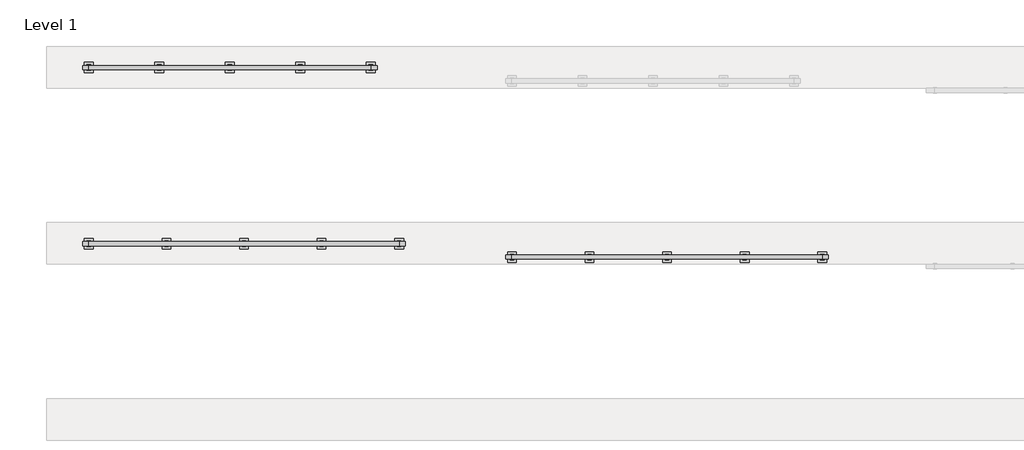
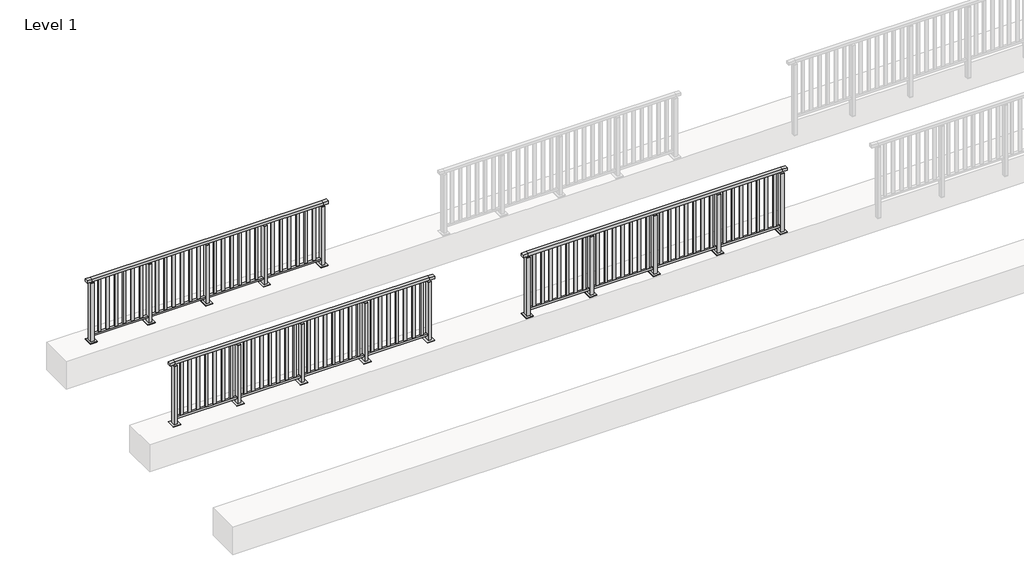
# One storey, part 30 of 38: 3 railings.
"""IFC4 building model written with IfcOpenShell, lengths in millimetres."""

from ifc_helpers import new_model, si_unit, frame, origin, origin_with_axes, place, context, project, spatial, polyline, outline, extrude, faceted_brep, element, save

model = new_model("IFC4")

# Units and contexts
model_context = context("Model", 3, world=origin())
ifc_project = project(units=[si_unit("LENGTHUNIT", "METRE", prefix="MILLI")], contexts=[model_context])

# Site, building, storey
site = spatial("IfcSite", under=ifc_project)
building = spatial("IfcBuilding", under=site)
storey = spatial("IfcBuildingStorey", under=building, Name="Level 1", Elevation=0.0)

# Railings
placement = place(None, origin())
element("IfcRailing", 1, at=placement, inside=storey, context=model_context, shape_type="SolidModel", body=[
    faceted_brep([(0.0, 50220.1846828, 1102.5), (0.0, 50220.1846828, 1150.0), (4400.0, 50220.1846828, 1150.0), (4400.0, 50220.1846828, 1102.5), (0.0, 50160.1846828, 1102.5), (4400.0, 50160.1846828, 1102.5), (0.0, 50160.1846828, 1150.0), (4400.0, 50160.1846828, 1150.0), (-87.5, 50220.1846828, 1150.0), (-87.5, 50220.1846828, 1102.5), (-87.5, 50160.1846828, 1102.5), (-87.5, 50160.1846828, 1150.0), (4487.5, 50220.1846828, 1150.0), (4487.5, 50160.1846828, 1150.0), (4487.5, 50160.1846828, 1102.5), (4487.5, 50220.1846828, 1102.5)], [[[0, 1, 2, 3]], [[4, 0, 3, 5]], [[6, 4, 5, 7]], [[1, 6, 7, 2]], [[8, 9, 10, 11]], [[9, 8, 1, 0]], [[10, 9, 0, 4]], [[11, 10, 4, 6]], [[8, 11, 6, 1]], [[12, 13, 14, 15]], [[3, 2, 12, 15]], [[5, 3, 15, 14]], [[7, 5, 14, 13]], [[2, 7, 13, 12]]]),
    extrude(outline(polyline([(0.0, 50172.1846828), (0.0, 50208.1846828), (4400.0, 50208.1846828), (4400.0, 50172.1846828), (0.0, 50172.1846828)])), frame((0.0, 0.0, 93.0), z_axis=(0.0, 0.0, 1.0), x_axis=(1.0, 0.0, 0.0)), (0.0, 0.0, 1.0), 32.0),
    extrude(outline(polyline([(4306.3592058, 50198.6846828), (4306.3592058, 50181.6846828), (4257.3592058, 50181.6846828), (4257.3592058, 50198.6846828), (4306.3592058, 50198.6846828)])), frame((0.0, 0.0, 125.0), z_axis=(0.0, 0.0, 1.0), x_axis=(1.0, 0.0, 0.0)), (0.0, 0.0, 1.0), 980.0),
    extrude(outline(polyline([(4162.4061372, 50198.6846828), (4162.4061372, 50181.6846828), (4113.4061372, 50181.6846828), (4113.4061372, 50198.6846828), (4162.4061372, 50198.6846828)])), frame((0.0, 0.0, 125.0), z_axis=(0.0, 0.0, 1.0), x_axis=(1.0, 0.0, 0.0)), (0.0, 0.0, 1.0), 980.0),
    extrude(outline(polyline([(4018.4530686, 50198.6846828), (4018.4530686, 50181.6846828), (3969.4530686, 50181.6846828), (3969.4530686, 50198.6846828), (4018.4530686, 50198.6846828)])), frame((0.0, 0.0, 125.0), z_axis=(0.0, 0.0, 1.0), x_axis=(1.0, 0.0, 0.0)), (0.0, 0.0, 1.0), 980.0),
    extrude(outline(polyline([(3874.5, 50198.6846828), (3874.5, 50181.6846828), (3825.5, 50181.6846828), (3825.5, 50198.6846828), (3874.5, 50198.6846828)])), frame((0.0, 0.0, 125.0), z_axis=(0.0, 0.0, 1.0), x_axis=(1.0, 0.0, 0.0)), (0.0, 0.0, 1.0), 980.0),
    extrude(outline(polyline([(3730.5469314, 50198.6846828), (3730.5469314, 50181.6846828), (3681.5469314, 50181.6846828), (3681.5469314, 50198.6846828), (3730.5469314, 50198.6846828)])), frame((0.0, 0.0, 125.0), z_axis=(0.0, 0.0, 1.0), x_axis=(1.0, 0.0, 0.0)), (0.0, 0.0, 1.0), 980.0),
    extrude(outline(polyline([(3586.5938628, 50198.6846828), (3586.5938628, 50181.6846828), (3537.5938628, 50181.6846828), (3537.5938628, 50198.6846828), (3586.5938628, 50198.6846828)])), frame((0.0, 0.0, 125.0), z_axis=(0.0, 0.0, 1.0), x_axis=(1.0, 0.0, 0.0)), (0.0, 0.0, 1.0), 980.0),
    extrude(outline(polyline([(3442.6407942, 50198.6846828), (3442.6407942, 50181.6846828), (3393.6407942, 50181.6846828), (3393.6407942, 50198.6846828), (3442.6407942, 50198.6846828)])), frame((0.0, 0.0, 125.0), z_axis=(0.0, 0.0, 1.0), x_axis=(1.0, 0.0, 0.0)), (0.0, 0.0, 1.0), 980.0),
    extrude(outline(polyline([(3310.0, 50180.1846828), (3290.0, 50180.1846828), (3290.0, 50200.1846828), (3310.0, 50200.1846828), (3310.0, 50180.1846828)])), frame((0.0, 0.0, 1085.0), z_axis=(0.0, 0.0, 1.0), x_axis=(1.0, 0.0, 0.0)), (0.0, 0.0, 1.0), 20.0),
    extrude(outline(polyline([(3327.0, 50151.1846828), (3273.0, 50151.1846828), (3273.0, 50229.1846828), (3327.0, 50229.1846828), (3327.0, 50151.1846828)])), frame((0.0, 0.0, 1077.0), z_axis=(0.0, 0.0, 1.0), x_axis=(1.0, 0.0, 0.0)), (0.0, 0.0, 1.0), 8.0),
    extrude(outline(polyline([(3362.5, 50115.1846828), (3237.5, 50115.1846828), (3237.5, 50265.1846828), (3362.5, 50265.1846828), (3362.5, 50115.1846828)])), origin_with_axes(), (0.0, 0.0, 1.0), 12.0),
    extrude(outline(polyline([(3327.0, 50151.1846828), (3273.0, 50151.1846828), (3273.0, 50229.1846828), (3327.0, 50229.1846828), (3327.0, 50151.1846828)])), frame((0.0, 0.0, 12.0), z_axis=(0.0, 0.0, 1.0), x_axis=(1.0, 0.0, 0.0)), (0.0, 0.0, 1.0), 1065.0),
    extrude(outline(polyline([(3206.3592058, 50198.6846828), (3206.3592058, 50181.6846828), (3157.3592058, 50181.6846828), (3157.3592058, 50198.6846828), (3206.3592058, 50198.6846828)])), frame((0.0, 0.0, 125.0), z_axis=(0.0, 0.0, 1.0), x_axis=(1.0, 0.0, 0.0)), (0.0, 0.0, 1.0), 980.0),
    extrude(outline(polyline([(3062.4061372, 50198.6846828), (3062.4061372, 50181.6846828), (3013.4061372, 50181.6846828), (3013.4061372, 50198.6846828), (3062.4061372, 50198.6846828)])), frame((0.0, 0.0, 125.0), z_axis=(0.0, 0.0, 1.0), x_axis=(1.0, 0.0, 0.0)), (0.0, 0.0, 1.0), 980.0),
    extrude(outline(polyline([(2918.4530686, 50198.6846828), (2918.4530686, 50181.6846828), (2869.4530686, 50181.6846828), (2869.4530686, 50198.6846828), (2918.4530686, 50198.6846828)])), frame((0.0, 0.0, 125.0), z_axis=(0.0, 0.0, 1.0), x_axis=(1.0, 0.0, 0.0)), (0.0, 0.0, 1.0), 980.0),
    extrude(outline(polyline([(2774.5, 50198.6846828), (2774.5, 50181.6846828), (2725.5, 50181.6846828), (2725.5, 50198.6846828), (2774.5, 50198.6846828)])), frame((0.0, 0.0, 125.0), z_axis=(0.0, 0.0, 1.0), x_axis=(1.0, 0.0, 0.0)), (0.0, 0.0, 1.0), 980.0),
    extrude(outline(polyline([(2630.5469314, 50198.6846828), (2630.5469314, 50181.6846828), (2581.5469314, 50181.6846828), (2581.5469314, 50198.6846828), (2630.5469314, 50198.6846828)])), frame((0.0, 0.0, 125.0), z_axis=(0.0, 0.0, 1.0), x_axis=(1.0, 0.0, 0.0)), (0.0, 0.0, 1.0), 980.0),
    extrude(outline(polyline([(2486.5938628, 50198.6846828), (2486.5938628, 50181.6846828), (2437.5938628, 50181.6846828), (2437.5938628, 50198.6846828), (2486.5938628, 50198.6846828)])), frame((0.0, 0.0, 125.0), z_axis=(0.0, 0.0, 1.0), x_axis=(1.0, 0.0, 0.0)), (0.0, 0.0, 1.0), 980.0),
    extrude(outline(polyline([(2342.6407942, 50198.6846828), (2342.6407942, 50181.6846828), (2293.6407942, 50181.6846828), (2293.6407942, 50198.6846828), (2342.6407942, 50198.6846828)])), frame((0.0, 0.0, 125.0), z_axis=(0.0, 0.0, 1.0), x_axis=(1.0, 0.0, 0.0)), (0.0, 0.0, 1.0), 980.0),
    extrude(outline(polyline([(2210.0, 50180.1846828), (2190.0, 50180.1846828), (2190.0, 50200.1846828), (2210.0, 50200.1846828), (2210.0, 50180.1846828)])), frame((0.0, 0.0, 1085.0), z_axis=(0.0, 0.0, 1.0), x_axis=(1.0, 0.0, 0.0)), (0.0, 0.0, 1.0), 20.0),
    extrude(outline(polyline([(2227.0, 50151.1846828), (2173.0, 50151.1846828), (2173.0, 50229.1846828), (2227.0, 50229.1846828), (2227.0, 50151.1846828)])), frame((0.0, 0.0, 1077.0), z_axis=(0.0, 0.0, 1.0), x_axis=(1.0, 0.0, 0.0)), (0.0, 0.0, 1.0), 8.0),
    extrude(outline(polyline([(2262.5, 50115.1846828), (2137.5, 50115.1846828), (2137.5, 50265.1846828), (2262.5, 50265.1846828), (2262.5, 50115.1846828)])), origin_with_axes(), (0.0, 0.0, 1.0), 12.0),
    extrude(outline(polyline([(2227.0, 50151.1846828), (2173.0, 50151.1846828), (2173.0, 50229.1846828), (2227.0, 50229.1846828), (2227.0, 50151.1846828)])), frame((0.0, 0.0, 12.0), z_axis=(0.0, 0.0, 1.0), x_axis=(1.0, 0.0, 0.0)), (0.0, 0.0, 1.0), 1065.0),
    extrude(outline(polyline([(2106.3592058, 50198.6846828), (2106.3592058, 50181.6846828), (2057.3592058, 50181.6846828), (2057.3592058, 50198.6846828), (2106.3592058, 50198.6846828)])), frame((0.0, 0.0, 125.0), z_axis=(0.0, 0.0, 1.0), x_axis=(1.0, 0.0, 0.0)), (0.0, 0.0, 1.0), 980.0),
    extrude(outline(polyline([(1962.4061372, 50198.6846828), (1962.4061372, 50181.6846828), (1913.4061372, 50181.6846828), (1913.4061372, 50198.6846828), (1962.4061372, 50198.6846828)])), frame((0.0, 0.0, 125.0), z_axis=(0.0, 0.0, 1.0), x_axis=(1.0, 0.0, 0.0)), (0.0, 0.0, 1.0), 980.0),
    extrude(outline(polyline([(1818.4530686, 50198.6846828), (1818.4530686, 50181.6846828), (1769.4530686, 50181.6846828), (1769.4530686, 50198.6846828), (1818.4530686, 50198.6846828)])), frame((0.0, 0.0, 125.0), z_axis=(0.0, 0.0, 1.0), x_axis=(1.0, 0.0, 0.0)), (0.0, 0.0, 1.0), 980.0),
    extrude(outline(polyline([(1674.5, 50198.6846828), (1674.5, 50181.6846828), (1625.5, 50181.6846828), (1625.5, 50198.6846828), (1674.5, 50198.6846828)])), frame((0.0, 0.0, 125.0), z_axis=(0.0, 0.0, 1.0), x_axis=(1.0, 0.0, 0.0)), (0.0, 0.0, 1.0), 980.0),
    extrude(outline(polyline([(1530.5469314, 50198.6846828), (1530.5469314, 50181.6846828), (1481.5469314, 50181.6846828), (1481.5469314, 50198.6846828), (1530.5469314, 50198.6846828)])), frame((0.0, 0.0, 125.0), z_axis=(0.0, 0.0, 1.0), x_axis=(1.0, 0.0, 0.0)), (0.0, 0.0, 1.0), 980.0),
    extrude(outline(polyline([(1386.5938628, 50198.6846828), (1386.5938628, 50181.6846828), (1337.5938628, 50181.6846828), (1337.5938628, 50198.6846828), (1386.5938628, 50198.6846828)])), frame((0.0, 0.0, 125.0), z_axis=(0.0, 0.0, 1.0), x_axis=(1.0, 0.0, 0.0)), (0.0, 0.0, 1.0), 980.0),
    extrude(outline(polyline([(1242.6407942, 50198.6846828), (1242.6407942, 50181.6846828), (1193.6407942, 50181.6846828), (1193.6407942, 50198.6846828), (1242.6407942, 50198.6846828)])), frame((0.0, 0.0, 125.0), z_axis=(0.0, 0.0, 1.0), x_axis=(1.0, 0.0, 0.0)), (0.0, 0.0, 1.0), 980.0),
    extrude(outline(polyline([(1110.0, 50180.1846828), (1090.0, 50180.1846828), (1090.0, 50200.1846828), (1110.0, 50200.1846828), (1110.0, 50180.1846828)])), frame((0.0, 0.0, 1085.0), z_axis=(0.0, 0.0, 1.0), x_axis=(1.0, 0.0, 0.0)), (0.0, 0.0, 1.0), 20.0),
    extrude(outline(polyline([(1127.0, 50151.1846828), (1073.0, 50151.1846828), (1073.0, 50229.1846828), (1127.0, 50229.1846828), (1127.0, 50151.1846828)])), frame((0.0, 0.0, 1077.0), z_axis=(0.0, 0.0, 1.0), x_axis=(1.0, 0.0, 0.0)), (0.0, 0.0, 1.0), 8.0),
    extrude(outline(polyline([(1162.5, 50115.1846828), (1037.5, 50115.1846828), (1037.5, 50265.1846828), (1162.5, 50265.1846828), (1162.5, 50115.1846828)])), origin_with_axes(), (0.0, 0.0, 1.0), 12.0),
    extrude(outline(polyline([(1127.0, 50151.1846828), (1073.0, 50151.1846828), (1073.0, 50229.1846828), (1127.0, 50229.1846828), (1127.0, 50151.1846828)])), frame((0.0, 0.0, 12.0), z_axis=(0.0, 0.0, 1.0), x_axis=(1.0, 0.0, 0.0)), (0.0, 0.0, 1.0), 1065.0),
    extrude(outline(polyline([(1006.3592058, 50198.6846828), (1006.3592058, 50181.6846828), (957.3592058, 50181.6846828), (957.3592058, 50198.6846828), (1006.3592058, 50198.6846828)])), frame((0.0, 0.0, 125.0), z_axis=(0.0, 0.0, 1.0), x_axis=(1.0, 0.0, 0.0)), (0.0, 0.0, 1.0), 980.0),
    extrude(outline(polyline([(862.4061372, 50198.6846828), (862.4061372, 50181.6846828), (813.4061372, 50181.6846828), (813.4061372, 50198.6846828), (862.4061372, 50198.6846828)])), frame((0.0, 0.0, 125.0), z_axis=(0.0, 0.0, 1.0), x_axis=(1.0, 0.0, 0.0)), (0.0, 0.0, 1.0), 980.0),
    extrude(outline(polyline([(718.4530686, 50198.6846828), (718.4530686, 50181.6846828), (669.4530686, 50181.6846828), (669.4530686, 50198.6846828), (718.4530686, 50198.6846828)])), frame((0.0, 0.0, 125.0), z_axis=(0.0, 0.0, 1.0), x_axis=(1.0, 0.0, 0.0)), (0.0, 0.0, 1.0), 980.0),
    extrude(outline(polyline([(574.5, 50198.6846828), (574.5, 50181.6846828), (525.5, 50181.6846828), (525.5, 50198.6846828), (574.5, 50198.6846828)])), frame((0.0, 0.0, 125.0), z_axis=(0.0, 0.0, 1.0), x_axis=(1.0, 0.0, 0.0)), (0.0, 0.0, 1.0), 980.0),
    extrude(outline(polyline([(430.5469314, 50198.6846828), (430.5469314, 50181.6846828), (381.5469314, 50181.6846828), (381.5469314, 50198.6846828), (430.5469314, 50198.6846828)])), frame((0.0, 0.0, 125.0), z_axis=(0.0, 0.0, 1.0), x_axis=(1.0, 0.0, 0.0)), (0.0, 0.0, 1.0), 980.0),
    extrude(outline(polyline([(286.5938628, 50198.6846828), (286.5938628, 50181.6846828), (237.5938628, 50181.6846828), (237.5938628, 50198.6846828), (286.5938628, 50198.6846828)])), frame((0.0, 0.0, 125.0), z_axis=(0.0, 0.0, 1.0), x_axis=(1.0, 0.0, 0.0)), (0.0, 0.0, 1.0), 980.0),
    extrude(outline(polyline([(142.6407942, 50198.6846828), (142.6407942, 50181.6846828), (93.6407942, 50181.6846828), (93.6407942, 50198.6846828), (142.6407942, 50198.6846828)])), frame((0.0, 0.0, 125.0), z_axis=(0.0, 0.0, 1.0), x_axis=(1.0, 0.0, 0.0)), (0.0, 0.0, 1.0), 980.0),
    extrude(outline(polyline([(4410.0, 50180.1846828), (4390.0, 50180.1846828), (4390.0, 50200.1846828), (4410.0, 50200.1846828), (4410.0, 50180.1846828)])), frame((0.0, 0.0, 1085.0), z_axis=(0.0, 0.0, 1.0), x_axis=(1.0, 0.0, 0.0)), (0.0, 0.0, 1.0), 20.0),
    extrude(outline(polyline([(4427.0, 50151.1846828), (4373.0, 50151.1846828), (4373.0, 50229.1846828), (4427.0, 50229.1846828), (4427.0, 50151.1846828)])), frame((0.0, 0.0, 1077.0), z_axis=(0.0, 0.0, 1.0), x_axis=(1.0, 0.0, 0.0)), (0.0, 0.0, 1.0), 8.0),
    extrude(outline(polyline([(4462.5, 50115.1846828), (4337.5, 50115.1846828), (4337.5, 50265.1846828), (4462.5, 50265.1846828), (4462.5, 50115.1846828)])), origin_with_axes(), (0.0, 0.0, 1.0), 12.0),
    extrude(outline(polyline([(4427.0, 50151.1846828), (4373.0, 50151.1846828), (4373.0, 50229.1846828), (4427.0, 50229.1846828), (4427.0, 50151.1846828)])), frame((0.0, 0.0, 12.0), z_axis=(0.0, 0.0, 1.0), x_axis=(1.0, 0.0, 0.0)), (0.0, 0.0, 1.0), 1065.0),
    extrude(outline(polyline([(10.0, 50180.1846828), (-10.0, 50180.1846828), (-10.0, 50200.1846828), (10.0, 50200.1846828), (10.0, 50180.1846828)])), frame((0.0, 0.0, 1085.0), z_axis=(0.0, 0.0, 1.0), x_axis=(1.0, 0.0, 0.0)), (0.0, 0.0, 1.0), 20.0),
    extrude(outline(polyline([(27.0, 50151.1846828), (-27.0, 50151.1846828), (-27.0, 50229.1846828), (27.0, 50229.1846828), (27.0, 50151.1846828)])), frame((0.0, 0.0, 1077.0), z_axis=(0.0, 0.0, 1.0), x_axis=(1.0, 0.0, 0.0)), (0.0, 0.0, 1.0), 8.0),
    extrude(outline(polyline([(62.5, 50115.1846828), (-62.5, 50115.1846828), (-62.5, 50265.1846828), (62.5, 50265.1846828), (62.5, 50115.1846828)])), origin_with_axes(), (0.0, 0.0, 1.0), 12.0),
    extrude(outline(polyline([(27.0, 50151.1846828), (-27.0, 50151.1846828), (-27.0, 50229.1846828), (27.0, 50229.1846828), (27.0, 50151.1846828)])), frame((0.0, 0.0, 12.0), z_axis=(0.0, 0.0, 1.0), x_axis=(1.0, 0.0, 0.0)), (0.0, 0.0, 1.0), 1065.0),
])
element("IfcRailing", 2, at=placement, inside=storey, context=model_context, shape_type="SolidModel", body=[
    faceted_brep([(0.0, 52720.1846828, 1102.5), (0.0, 52720.1846828, 1150.0), (4000.0, 52720.1846828, 1150.0), (4000.0, 52720.1846828, 1102.5), (0.0, 52660.1846828, 1102.5), (4000.0, 52660.1846828, 1102.5), (0.0, 52660.1846828, 1150.0), (4000.0, 52660.1846828, 1150.0), (-87.5, 52720.1846828, 1150.0), (-87.5, 52720.1846828, 1102.5), (-87.5, 52660.1846828, 1102.5), (-87.5, 52660.1846828, 1150.0), (4087.5, 52720.1846828, 1150.0), (4087.5, 52660.1846828, 1150.0), (4087.5, 52660.1846828, 1102.5), (4087.5, 52720.1846828, 1102.5)], [[[0, 1, 2, 3]], [[4, 0, 3, 5]], [[6, 4, 5, 7]], [[1, 6, 7, 2]], [[8, 9, 10, 11]], [[9, 8, 1, 0]], [[10, 9, 0, 4]], [[11, 10, 4, 6]], [[8, 11, 6, 1]], [[12, 13, 14, 15]], [[3, 2, 12, 15]], [[5, 3, 15, 14]], [[7, 5, 14, 13]], [[2, 7, 13, 12]]]),
    extrude(outline(polyline([(0.0, 52672.1846828), (0.0, 52708.1846828), (4000.0, 52708.1846828), (4000.0, 52672.1846828), (0.0, 52672.1846828)])), frame((0.0, 0.0, 93.0), z_axis=(0.0, 0.0, 1.0), x_axis=(1.0, 0.0, 0.0)), (0.0, 0.0, 1.0), 32.0),
    extrude(outline(polyline([(3884.480139, 52698.6846828), (3884.480139, 52681.6846828), (3835.480139, 52681.6846828), (3835.480139, 52698.6846828), (3884.480139, 52698.6846828)])), frame((0.0, 0.0, 125.0), z_axis=(0.0, 0.0, 1.0), x_axis=(1.0, 0.0, 0.0)), (0.0, 0.0, 1.0), 980.0),
    extrude(outline(polyline([(3740.4880834, 52698.6846828), (3740.4880834, 52681.6846828), (3691.4880834, 52681.6846828), (3691.4880834, 52698.6846828), (3740.4880834, 52698.6846828)])), frame((0.0, 0.0, 125.0), z_axis=(0.0, 0.0, 1.0), x_axis=(1.0, 0.0, 0.0)), (0.0, 0.0, 1.0), 980.0),
    extrude(outline(polyline([(3596.4960278, 52698.6846828), (3596.4960278, 52681.6846828), (3547.4960278, 52681.6846828), (3547.4960278, 52698.6846828), (3596.4960278, 52698.6846828)])), frame((0.0, 0.0, 125.0), z_axis=(0.0, 0.0, 1.0), x_axis=(1.0, 0.0, 0.0)), (0.0, 0.0, 1.0), 980.0),
    extrude(outline(polyline([(3452.5039722, 52698.6846828), (3452.5039722, 52681.6846828), (3403.5039722, 52681.6846828), (3403.5039722, 52698.6846828), (3452.5039722, 52698.6846828)])), frame((0.0, 0.0, 125.0), z_axis=(0.0, 0.0, 1.0), x_axis=(1.0, 0.0, 0.0)), (0.0, 0.0, 1.0), 980.0),
    extrude(outline(polyline([(3308.5119166, 52698.6846828), (3308.5119166, 52681.6846828), (3259.5119166, 52681.6846828), (3259.5119166, 52698.6846828), (3308.5119166, 52698.6846828)])), frame((0.0, 0.0, 125.0), z_axis=(0.0, 0.0, 1.0), x_axis=(1.0, 0.0, 0.0)), (0.0, 0.0, 1.0), 980.0),
    extrude(outline(polyline([(3164.519861, 52698.6846828), (3164.519861, 52681.6846828), (3115.519861, 52681.6846828), (3115.519861, 52698.6846828), (3164.519861, 52698.6846828)])), frame((0.0, 0.0, 125.0), z_axis=(0.0, 0.0, 1.0), x_axis=(1.0, 0.0, 0.0)), (0.0, 0.0, 1.0), 980.0),
    extrude(outline(polyline([(3010.0, 52680.1846828), (2990.0, 52680.1846828), (2990.0, 52700.1846828), (3010.0, 52700.1846828), (3010.0, 52680.1846828)])), frame((0.0, 0.0, 1085.0), z_axis=(0.0, 0.0, 1.0), x_axis=(1.0, 0.0, 0.0)), (0.0, 0.0, 1.0), 20.0),
    extrude(outline(polyline([(3027.0, 52651.1846828), (2973.0, 52651.1846828), (2973.0, 52729.1846828), (3027.0, 52729.1846828), (3027.0, 52651.1846828)])), frame((0.0, 0.0, 1077.0), z_axis=(0.0, 0.0, 1.0), x_axis=(1.0, 0.0, 0.0)), (0.0, 0.0, 1.0), 8.0),
    extrude(outline(polyline([(3062.5, 52615.1846828), (2937.5, 52615.1846828), (2937.5, 52765.1846828), (3062.5, 52765.1846828), (3062.5, 52615.1846828)])), origin_with_axes(), (0.0, 0.0, 1.0), 12.0),
    extrude(outline(polyline([(3027.0, 52651.1846828), (2973.0, 52651.1846828), (2973.0, 52729.1846828), (3027.0, 52729.1846828), (3027.0, 52651.1846828)])), frame((0.0, 0.0, 12.0), z_axis=(0.0, 0.0, 1.0), x_axis=(1.0, 0.0, 0.0)), (0.0, 0.0, 1.0), 1065.0),
    extrude(outline(polyline([(2884.480139, 52698.6846828), (2884.480139, 52681.6846828), (2835.480139, 52681.6846828), (2835.480139, 52698.6846828), (2884.480139, 52698.6846828)])), frame((0.0, 0.0, 125.0), z_axis=(0.0, 0.0, 1.0), x_axis=(1.0, 0.0, 0.0)), (0.0, 0.0, 1.0), 980.0),
    extrude(outline(polyline([(2740.4880834, 52698.6846828), (2740.4880834, 52681.6846828), (2691.4880834, 52681.6846828), (2691.4880834, 52698.6846828), (2740.4880834, 52698.6846828)])), frame((0.0, 0.0, 125.0), z_axis=(0.0, 0.0, 1.0), x_axis=(1.0, 0.0, 0.0)), (0.0, 0.0, 1.0), 980.0),
    extrude(outline(polyline([(2596.4960278, 52698.6846828), (2596.4960278, 52681.6846828), (2547.4960278, 52681.6846828), (2547.4960278, 52698.6846828), (2596.4960278, 52698.6846828)])), frame((0.0, 0.0, 125.0), z_axis=(0.0, 0.0, 1.0), x_axis=(1.0, 0.0, 0.0)), (0.0, 0.0, 1.0), 980.0),
    extrude(outline(polyline([(2452.5039722, 52698.6846828), (2452.5039722, 52681.6846828), (2403.5039722, 52681.6846828), (2403.5039722, 52698.6846828), (2452.5039722, 52698.6846828)])), frame((0.0, 0.0, 125.0), z_axis=(0.0, 0.0, 1.0), x_axis=(1.0, 0.0, 0.0)), (0.0, 0.0, 1.0), 980.0),
    extrude(outline(polyline([(2308.5119166, 52698.6846828), (2308.5119166, 52681.6846828), (2259.5119166, 52681.6846828), (2259.5119166, 52698.6846828), (2308.5119166, 52698.6846828)])), frame((0.0, 0.0, 125.0), z_axis=(0.0, 0.0, 1.0), x_axis=(1.0, 0.0, 0.0)), (0.0, 0.0, 1.0), 980.0),
    extrude(outline(polyline([(2164.519861, 52698.6846828), (2164.519861, 52681.6846828), (2115.519861, 52681.6846828), (2115.519861, 52698.6846828), (2164.519861, 52698.6846828)])), frame((0.0, 0.0, 125.0), z_axis=(0.0, 0.0, 1.0), x_axis=(1.0, 0.0, 0.0)), (0.0, 0.0, 1.0), 980.0),
    extrude(outline(polyline([(2010.0, 52680.1846828), (1990.0, 52680.1846828), (1990.0, 52700.1846828), (2010.0, 52700.1846828), (2010.0, 52680.1846828)])), frame((0.0, 0.0, 1085.0), z_axis=(0.0, 0.0, 1.0), x_axis=(1.0, 0.0, 0.0)), (0.0, 0.0, 1.0), 20.0),
    extrude(outline(polyline([(2027.0, 52651.1846828), (1973.0, 52651.1846828), (1973.0, 52729.1846828), (2027.0, 52729.1846828), (2027.0, 52651.1846828)])), frame((0.0, 0.0, 1077.0), z_axis=(0.0, 0.0, 1.0), x_axis=(1.0, 0.0, 0.0)), (0.0, 0.0, 1.0), 8.0),
    extrude(outline(polyline([(2062.5, 52615.1846828), (1937.5, 52615.1846828), (1937.5, 52765.1846828), (2062.5, 52765.1846828), (2062.5, 52615.1846828)])), origin_with_axes(), (0.0, 0.0, 1.0), 12.0),
    extrude(outline(polyline([(2027.0, 52651.1846828), (1973.0, 52651.1846828), (1973.0, 52729.1846828), (2027.0, 52729.1846828), (2027.0, 52651.1846828)])), frame((0.0, 0.0, 12.0), z_axis=(0.0, 0.0, 1.0), x_axis=(1.0, 0.0, 0.0)), (0.0, 0.0, 1.0), 1065.0),
    extrude(outline(polyline([(1884.480139, 52698.6846828), (1884.480139, 52681.6846828), (1835.480139, 52681.6846828), (1835.480139, 52698.6846828), (1884.480139, 52698.6846828)])), frame((0.0, 0.0, 125.0), z_axis=(0.0, 0.0, 1.0), x_axis=(1.0, 0.0, 0.0)), (0.0, 0.0, 1.0), 980.0),
    extrude(outline(polyline([(1740.4880834, 52698.6846828), (1740.4880834, 52681.6846828), (1691.4880834, 52681.6846828), (1691.4880834, 52698.6846828), (1740.4880834, 52698.6846828)])), frame((0.0, 0.0, 125.0), z_axis=(0.0, 0.0, 1.0), x_axis=(1.0, 0.0, 0.0)), (0.0, 0.0, 1.0), 980.0),
    extrude(outline(polyline([(1596.4960278, 52698.6846828), (1596.4960278, 52681.6846828), (1547.4960278, 52681.6846828), (1547.4960278, 52698.6846828), (1596.4960278, 52698.6846828)])), frame((0.0, 0.0, 125.0), z_axis=(0.0, 0.0, 1.0), x_axis=(1.0, 0.0, 0.0)), (0.0, 0.0, 1.0), 980.0),
    extrude(outline(polyline([(1452.5039722, 52698.6846828), (1452.5039722, 52681.6846828), (1403.5039722, 52681.6846828), (1403.5039722, 52698.6846828), (1452.5039722, 52698.6846828)])), frame((0.0, 0.0, 125.0), z_axis=(0.0, 0.0, 1.0), x_axis=(1.0, 0.0, 0.0)), (0.0, 0.0, 1.0), 980.0),
    extrude(outline(polyline([(1308.5119166, 52698.6846828), (1308.5119166, 52681.6846828), (1259.5119166, 52681.6846828), (1259.5119166, 52698.6846828), (1308.5119166, 52698.6846828)])), frame((0.0, 0.0, 125.0), z_axis=(0.0, 0.0, 1.0), x_axis=(1.0, 0.0, 0.0)), (0.0, 0.0, 1.0), 980.0),
    extrude(outline(polyline([(1164.519861, 52698.6846828), (1164.519861, 52681.6846828), (1115.519861, 52681.6846828), (1115.519861, 52698.6846828), (1164.519861, 52698.6846828)])), frame((0.0, 0.0, 125.0), z_axis=(0.0, 0.0, 1.0), x_axis=(1.0, 0.0, 0.0)), (0.0, 0.0, 1.0), 980.0),
    extrude(outline(polyline([(1010.0, 52680.1846828), (990.0, 52680.1846828), (990.0, 52700.1846828), (1010.0, 52700.1846828), (1010.0, 52680.1846828)])), frame((0.0, 0.0, 1085.0), z_axis=(0.0, 0.0, 1.0), x_axis=(1.0, 0.0, 0.0)), (0.0, 0.0, 1.0), 20.0),
    extrude(outline(polyline([(1027.0, 52651.1846828), (973.0, 52651.1846828), (973.0, 52729.1846828), (1027.0, 52729.1846828), (1027.0, 52651.1846828)])), frame((0.0, 0.0, 1077.0), z_axis=(0.0, 0.0, 1.0), x_axis=(1.0, 0.0, 0.0)), (0.0, 0.0, 1.0), 8.0),
    extrude(outline(polyline([(1062.5, 52615.1846828), (937.5, 52615.1846828), (937.5, 52765.1846828), (1062.5, 52765.1846828), (1062.5, 52615.1846828)])), origin_with_axes(), (0.0, 0.0, 1.0), 12.0),
    extrude(outline(polyline([(1027.0, 52651.1846828), (973.0, 52651.1846828), (973.0, 52729.1846828), (1027.0, 52729.1846828), (1027.0, 52651.1846828)])), frame((0.0, 0.0, 12.0), z_axis=(0.0, 0.0, 1.0), x_axis=(1.0, 0.0, 0.0)), (0.0, 0.0, 1.0), 1065.0),
    extrude(outline(polyline([(884.480139, 52698.6846828), (884.480139, 52681.6846828), (835.480139, 52681.6846828), (835.480139, 52698.6846828), (884.480139, 52698.6846828)])), frame((0.0, 0.0, 125.0), z_axis=(0.0, 0.0, 1.0), x_axis=(1.0, 0.0, 0.0)), (0.0, 0.0, 1.0), 980.0),
    extrude(outline(polyline([(740.4880834, 52698.6846828), (740.4880834, 52681.6846828), (691.4880834, 52681.6846828), (691.4880834, 52698.6846828), (740.4880834, 52698.6846828)])), frame((0.0, 0.0, 125.0), z_axis=(0.0, 0.0, 1.0), x_axis=(1.0, 0.0, 0.0)), (0.0, 0.0, 1.0), 980.0),
    extrude(outline(polyline([(596.4960278, 52698.6846828), (596.4960278, 52681.6846828), (547.4960278, 52681.6846828), (547.4960278, 52698.6846828), (596.4960278, 52698.6846828)])), frame((0.0, 0.0, 125.0), z_axis=(0.0, 0.0, 1.0), x_axis=(1.0, 0.0, 0.0)), (0.0, 0.0, 1.0), 980.0),
    extrude(outline(polyline([(452.5039722, 52698.6846828), (452.5039722, 52681.6846828), (403.5039722, 52681.6846828), (403.5039722, 52698.6846828), (452.5039722, 52698.6846828)])), frame((0.0, 0.0, 125.0), z_axis=(0.0, 0.0, 1.0), x_axis=(1.0, 0.0, 0.0)), (0.0, 0.0, 1.0), 980.0),
    extrude(outline(polyline([(308.5119166, 52698.6846828), (308.5119166, 52681.6846828), (259.5119166, 52681.6846828), (259.5119166, 52698.6846828), (308.5119166, 52698.6846828)])), frame((0.0, 0.0, 125.0), z_axis=(0.0, 0.0, 1.0), x_axis=(1.0, 0.0, 0.0)), (0.0, 0.0, 1.0), 980.0),
    extrude(outline(polyline([(164.519861, 52698.6846828), (164.519861, 52681.6846828), (115.519861, 52681.6846828), (115.519861, 52698.6846828), (164.519861, 52698.6846828)])), frame((0.0, 0.0, 125.0), z_axis=(0.0, 0.0, 1.0), x_axis=(1.0, 0.0, 0.0)), (0.0, 0.0, 1.0), 980.0),
    extrude(outline(polyline([(4010.0, 52680.1846828), (3990.0, 52680.1846828), (3990.0, 52700.1846828), (4010.0, 52700.1846828), (4010.0, 52680.1846828)])), frame((0.0, 0.0, 1085.0), z_axis=(0.0, 0.0, 1.0), x_axis=(1.0, 0.0, 0.0)), (0.0, 0.0, 1.0), 20.0),
    extrude(outline(polyline([(4027.0, 52651.1846828), (3973.0, 52651.1846828), (3973.0, 52729.1846828), (4027.0, 52729.1846828), (4027.0, 52651.1846828)])), frame((0.0, 0.0, 1077.0), z_axis=(0.0, 0.0, 1.0), x_axis=(1.0, 0.0, 0.0)), (0.0, 0.0, 1.0), 8.0),
    extrude(outline(polyline([(4062.5, 52615.1846828), (3937.5, 52615.1846828), (3937.5, 52765.1846828), (4062.5, 52765.1846828), (4062.5, 52615.1846828)])), origin_with_axes(), (0.0, 0.0, 1.0), 12.0),
    extrude(outline(polyline([(4027.0, 52651.1846828), (3973.0, 52651.1846828), (3973.0, 52729.1846828), (4027.0, 52729.1846828), (4027.0, 52651.1846828)])), frame((0.0, 0.0, 12.0), z_axis=(0.0, 0.0, 1.0), x_axis=(1.0, 0.0, 0.0)), (0.0, 0.0, 1.0), 1065.0),
    extrude(outline(polyline([(10.0, 52680.1846828), (-10.0, 52680.1846828), (-10.0, 52700.1846828), (10.0, 52700.1846828), (10.0, 52680.1846828)])), frame((0.0, 0.0, 1085.0), z_axis=(0.0, 0.0, 1.0), x_axis=(1.0, 0.0, 0.0)), (0.0, 0.0, 1.0), 20.0),
    extrude(outline(polyline([(27.0, 52651.1846828), (-27.0, 52651.1846828), (-27.0, 52729.1846828), (27.0, 52729.1846828), (27.0, 52651.1846828)])), frame((0.0, 0.0, 1077.0), z_axis=(0.0, 0.0, 1.0), x_axis=(1.0, 0.0, 0.0)), (0.0, 0.0, 1.0), 8.0),
    extrude(outline(polyline([(62.5, 52615.1846828), (-62.5, 52615.1846828), (-62.5, 52765.1846828), (62.5, 52765.1846828), (62.5, 52615.1846828)])), origin_with_axes(), (0.0, 0.0, 1.0), 12.0),
    extrude(outline(polyline([(27.0, 52651.1846828), (-27.0, 52651.1846828), (-27.0, 52729.1846828), (27.0, 52729.1846828), (27.0, 52651.1846828)])), frame((0.0, 0.0, 12.0), z_axis=(0.0, 0.0, 1.0), x_axis=(1.0, 0.0, 0.0)), (0.0, 0.0, 1.0), 1065.0),
])
element("IfcRailing", 3, at=placement, inside=storey, context=model_context, shape_type="SolidModel", body=[
    faceted_brep([(6000.0, 50030.1846828, 1102.5), (6000.0, 50030.1846828, 1150.0), (10400.0, 50030.1846828, 1150.0), (10400.0, 50030.1846828, 1102.5), (6000.0, 49970.1846828, 1102.5), (10400.0, 49970.1846828, 1102.5), (6000.0, 49970.1846828, 1150.0), (10400.0, 49970.1846828, 1150.0), (5912.5, 50030.1846828, 1150.0), (5912.5, 50030.1846828, 1102.5), (5912.5, 49970.1846828, 1102.5), (5912.5, 49970.1846828, 1150.0), (10487.5, 50030.1846828, 1150.0), (10487.5, 49970.1846828, 1150.0), (10487.5, 49970.1846828, 1102.5), (10487.5, 50030.1846828, 1102.5)], [[[0, 1, 2, 3]], [[4, 0, 3, 5]], [[6, 4, 5, 7]], [[1, 6, 7, 2]], [[8, 9, 10, 11]], [[9, 8, 1, 0]], [[10, 9, 0, 4]], [[11, 10, 4, 6]], [[8, 11, 6, 1]], [[12, 13, 14, 15]], [[3, 2, 12, 15]], [[5, 3, 15, 14]], [[7, 5, 14, 13]], [[2, 7, 13, 12]]]),
    extrude(outline(polyline([(6000.0, 49982.1846828), (6000.0, 50018.1846828), (10400.0, 50018.1846828), (10400.0, 49982.1846828), (6000.0, 49982.1846828)])), frame((0.0, 0.0, 93.0), z_axis=(0.0, 0.0, 1.0), x_axis=(1.0, 0.0, 0.0)), (0.0, 0.0, 1.0), 32.0),
    extrude(outline(polyline([(10306.3592058, 50008.6846828), (10306.3592058, 49991.6846828), (10257.3592058, 49991.6846828), (10257.3592058, 50008.6846828), (10306.3592058, 50008.6846828)])), frame((0.0, 0.0, 125.0), z_axis=(0.0, 0.0, 1.0), x_axis=(1.0, 0.0, 0.0)), (0.0, 0.0, 1.0), 980.0),
    extrude(outline(polyline([(10162.4061372, 50008.6846828), (10162.4061372, 49991.6846828), (10113.4061372, 49991.6846828), (10113.4061372, 50008.6846828), (10162.4061372, 50008.6846828)])), frame((0.0, 0.0, 125.0), z_axis=(0.0, 0.0, 1.0), x_axis=(1.0, 0.0, 0.0)), (0.0, 0.0, 1.0), 980.0),
    extrude(outline(polyline([(10018.4530686, 50008.6846828), (10018.4530686, 49991.6846828), (9969.4530686, 49991.6846828), (9969.4530686, 50008.6846828), (10018.4530686, 50008.6846828)])), frame((0.0, 0.0, 125.0), z_axis=(0.0, 0.0, 1.0), x_axis=(1.0, 0.0, 0.0)), (0.0, 0.0, 1.0), 980.0),
    extrude(outline(polyline([(9874.5, 50008.6846828), (9874.5, 49991.6846828), (9825.5, 49991.6846828), (9825.5, 50008.6846828), (9874.5, 50008.6846828)])), frame((0.0, 0.0, 125.0), z_axis=(0.0, 0.0, 1.0), x_axis=(1.0, 0.0, 0.0)), (0.0, 0.0, 1.0), 980.0),
    extrude(outline(polyline([(9730.5469314, 50008.6846828), (9730.5469314, 49991.6846828), (9681.5469314, 49991.6846828), (9681.5469314, 50008.6846828), (9730.5469314, 50008.6846828)])), frame((0.0, 0.0, 125.0), z_axis=(0.0, 0.0, 1.0), x_axis=(1.0, 0.0, 0.0)), (0.0, 0.0, 1.0), 980.0),
    extrude(outline(polyline([(9586.5938628, 50008.6846828), (9586.5938628, 49991.6846828), (9537.5938628, 49991.6846828), (9537.5938628, 50008.6846828), (9586.5938628, 50008.6846828)])), frame((0.0, 0.0, 125.0), z_axis=(0.0, 0.0, 1.0), x_axis=(1.0, 0.0, 0.0)), (0.0, 0.0, 1.0), 980.0),
    extrude(outline(polyline([(9442.6407942, 50008.6846828), (9442.6407942, 49991.6846828), (9393.6407942, 49991.6846828), (9393.6407942, 50008.6846828), (9442.6407942, 50008.6846828)])), frame((0.0, 0.0, 125.0), z_axis=(0.0, 0.0, 1.0), x_axis=(1.0, 0.0, 0.0)), (0.0, 0.0, 1.0), 980.0),
    extrude(outline(polyline([(9310.0, 49990.1846828), (9290.0, 49990.1846828), (9290.0, 50010.1846828), (9310.0, 50010.1846828), (9310.0, 49990.1846828)])), frame((0.0, 0.0, 1085.0), z_axis=(0.0, 0.0, 1.0), x_axis=(1.0, 0.0, 0.0)), (0.0, 0.0, 1.0), 20.0),
    extrude(outline(polyline([(9327.0, 49961.1846828), (9273.0, 49961.1846828), (9273.0, 50039.1846828), (9327.0, 50039.1846828), (9327.0, 49961.1846828)])), frame((0.0, 0.0, 1077.0), z_axis=(0.0, 0.0, 1.0), x_axis=(1.0, 0.0, 0.0)), (0.0, 0.0, 1.0), 8.0),
    extrude(outline(polyline([(9362.5, 49925.1846828), (9237.5, 49925.1846828), (9237.5, 50075.1846828), (9362.5, 50075.1846828), (9362.5, 49925.1846828)])), origin_with_axes(), (0.0, 0.0, 1.0), 12.0),
    extrude(outline(polyline([(9327.0, 49961.1846828), (9273.0, 49961.1846828), (9273.0, 50039.1846828), (9327.0, 50039.1846828), (9327.0, 49961.1846828)])), frame((0.0, 0.0, 12.0), z_axis=(0.0, 0.0, 1.0), x_axis=(1.0, 0.0, 0.0)), (0.0, 0.0, 1.0), 1065.0),
    extrude(outline(polyline([(9206.3592058, 50008.6846828), (9206.3592058, 49991.6846828), (9157.3592058, 49991.6846828), (9157.3592058, 50008.6846828), (9206.3592058, 50008.6846828)])), frame((0.0, 0.0, 125.0), z_axis=(0.0, 0.0, 1.0), x_axis=(1.0, 0.0, 0.0)), (0.0, 0.0, 1.0), 980.0),
    extrude(outline(polyline([(9062.4061372, 50008.6846828), (9062.4061372, 49991.6846828), (9013.4061372, 49991.6846828), (9013.4061372, 50008.6846828), (9062.4061372, 50008.6846828)])), frame((0.0, 0.0, 125.0), z_axis=(0.0, 0.0, 1.0), x_axis=(1.0, 0.0, 0.0)), (0.0, 0.0, 1.0), 980.0),
    extrude(outline(polyline([(8918.4530686, 50008.6846828), (8918.4530686, 49991.6846828), (8869.4530686, 49991.6846828), (8869.4530686, 50008.6846828), (8918.4530686, 50008.6846828)])), frame((0.0, 0.0, 125.0), z_axis=(0.0, 0.0, 1.0), x_axis=(1.0, 0.0, 0.0)), (0.0, 0.0, 1.0), 980.0),
    extrude(outline(polyline([(8774.5, 50008.6846828), (8774.5, 49991.6846828), (8725.5, 49991.6846828), (8725.5, 50008.6846828), (8774.5, 50008.6846828)])), frame((0.0, 0.0, 125.0), z_axis=(0.0, 0.0, 1.0), x_axis=(1.0, 0.0, 0.0)), (0.0, 0.0, 1.0), 980.0),
    extrude(outline(polyline([(8630.5469314, 50008.6846828), (8630.5469314, 49991.6846828), (8581.5469314, 49991.6846828), (8581.5469314, 50008.6846828), (8630.5469314, 50008.6846828)])), frame((0.0, 0.0, 125.0), z_axis=(0.0, 0.0, 1.0), x_axis=(1.0, 0.0, 0.0)), (0.0, 0.0, 1.0), 980.0),
    extrude(outline(polyline([(8486.5938628, 50008.6846828), (8486.5938628, 49991.6846828), (8437.5938628, 49991.6846828), (8437.5938628, 50008.6846828), (8486.5938628, 50008.6846828)])), frame((0.0, 0.0, 125.0), z_axis=(0.0, 0.0, 1.0), x_axis=(1.0, 0.0, 0.0)), (0.0, 0.0, 1.0), 980.0),
    extrude(outline(polyline([(8342.6407942, 50008.6846828), (8342.6407942, 49991.6846828), (8293.6407942, 49991.6846828), (8293.6407942, 50008.6846828), (8342.6407942, 50008.6846828)])), frame((0.0, 0.0, 125.0), z_axis=(0.0, 0.0, 1.0), x_axis=(1.0, 0.0, 0.0)), (0.0, 0.0, 1.0), 980.0),
    extrude(outline(polyline([(8210.0, 49990.1846828), (8190.0, 49990.1846828), (8190.0, 50010.1846828), (8210.0, 50010.1846828), (8210.0, 49990.1846828)])), frame((0.0, 0.0, 1085.0), z_axis=(0.0, 0.0, 1.0), x_axis=(1.0, 0.0, 0.0)), (0.0, 0.0, 1.0), 20.0),
    extrude(outline(polyline([(8227.0, 49961.1846828), (8173.0, 49961.1846828), (8173.0, 50039.1846828), (8227.0, 50039.1846828), (8227.0, 49961.1846828)])), frame((0.0, 0.0, 1077.0), z_axis=(0.0, 0.0, 1.0), x_axis=(1.0, 0.0, 0.0)), (0.0, 0.0, 1.0), 8.0),
    extrude(outline(polyline([(8262.5, 49925.1846828), (8137.5, 49925.1846828), (8137.5, 50075.1846828), (8262.5, 50075.1846828), (8262.5, 49925.1846828)])), origin_with_axes(), (0.0, 0.0, 1.0), 12.0),
    extrude(outline(polyline([(8227.0, 49961.1846828), (8173.0, 49961.1846828), (8173.0, 50039.1846828), (8227.0, 50039.1846828), (8227.0, 49961.1846828)])), frame((0.0, 0.0, 12.0), z_axis=(0.0, 0.0, 1.0), x_axis=(1.0, 0.0, 0.0)), (0.0, 0.0, 1.0), 1065.0),
    extrude(outline(polyline([(8106.3592058, 50008.6846828), (8106.3592058, 49991.6846828), (8057.3592058, 49991.6846828), (8057.3592058, 50008.6846828), (8106.3592058, 50008.6846828)])), frame((0.0, 0.0, 125.0), z_axis=(0.0, 0.0, 1.0), x_axis=(1.0, 0.0, 0.0)), (0.0, 0.0, 1.0), 980.0),
    extrude(outline(polyline([(7962.4061372, 50008.6846828), (7962.4061372, 49991.6846828), (7913.4061372, 49991.6846828), (7913.4061372, 50008.6846828), (7962.4061372, 50008.6846828)])), frame((0.0, 0.0, 125.0), z_axis=(0.0, 0.0, 1.0), x_axis=(1.0, 0.0, 0.0)), (0.0, 0.0, 1.0), 980.0),
    extrude(outline(polyline([(7818.4530686, 50008.6846828), (7818.4530686, 49991.6846828), (7769.4530686, 49991.6846828), (7769.4530686, 50008.6846828), (7818.4530686, 50008.6846828)])), frame((0.0, 0.0, 125.0), z_axis=(0.0, 0.0, 1.0), x_axis=(1.0, 0.0, 0.0)), (0.0, 0.0, 1.0), 980.0),
    extrude(outline(polyline([(7674.5, 50008.6846828), (7674.5, 49991.6846828), (7625.5, 49991.6846828), (7625.5, 50008.6846828), (7674.5, 50008.6846828)])), frame((0.0, 0.0, 125.0), z_axis=(0.0, 0.0, 1.0), x_axis=(1.0, 0.0, 0.0)), (0.0, 0.0, 1.0), 980.0),
    extrude(outline(polyline([(7530.5469314, 50008.6846828), (7530.5469314, 49991.6846828), (7481.5469314, 49991.6846828), (7481.5469314, 50008.6846828), (7530.5469314, 50008.6846828)])), frame((0.0, 0.0, 125.0), z_axis=(0.0, 0.0, 1.0), x_axis=(1.0, 0.0, 0.0)), (0.0, 0.0, 1.0), 980.0),
    extrude(outline(polyline([(7386.5938628, 50008.6846828), (7386.5938628, 49991.6846828), (7337.5938628, 49991.6846828), (7337.5938628, 50008.6846828), (7386.5938628, 50008.6846828)])), frame((0.0, 0.0, 125.0), z_axis=(0.0, 0.0, 1.0), x_axis=(1.0, 0.0, 0.0)), (0.0, 0.0, 1.0), 980.0),
    extrude(outline(polyline([(7242.6407942, 50008.6846828), (7242.6407942, 49991.6846828), (7193.6407942, 49991.6846828), (7193.6407942, 50008.6846828), (7242.6407942, 50008.6846828)])), frame((0.0, 0.0, 125.0), z_axis=(0.0, 0.0, 1.0), x_axis=(1.0, 0.0, 0.0)), (0.0, 0.0, 1.0), 980.0),
    extrude(outline(polyline([(7110.0, 49990.1846828), (7090.0, 49990.1846828), (7090.0, 50010.1846828), (7110.0, 50010.1846828), (7110.0, 49990.1846828)])), frame((0.0, 0.0, 1085.0), z_axis=(0.0, 0.0, 1.0), x_axis=(1.0, 0.0, 0.0)), (0.0, 0.0, 1.0), 20.0),
    extrude(outline(polyline([(7127.0, 49961.1846828), (7073.0, 49961.1846828), (7073.0, 50039.1846828), (7127.0, 50039.1846828), (7127.0, 49961.1846828)])), frame((0.0, 0.0, 1077.0), z_axis=(0.0, 0.0, 1.0), x_axis=(1.0, 0.0, 0.0)), (0.0, 0.0, 1.0), 8.0),
    extrude(outline(polyline([(7162.5, 49925.1846828), (7037.5, 49925.1846828), (7037.5, 50075.1846828), (7162.5, 50075.1846828), (7162.5, 49925.1846828)])), origin_with_axes(), (0.0, 0.0, 1.0), 12.0),
    extrude(outline(polyline([(7127.0, 49961.1846828), (7073.0, 49961.1846828), (7073.0, 50039.1846828), (7127.0, 50039.1846828), (7127.0, 49961.1846828)])), frame((0.0, 0.0, 12.0), z_axis=(0.0, 0.0, 1.0), x_axis=(1.0, 0.0, 0.0)), (0.0, 0.0, 1.0), 1065.0),
    extrude(outline(polyline([(7006.3592058, 50008.6846828), (7006.3592058, 49991.6846828), (6957.3592058, 49991.6846828), (6957.3592058, 50008.6846828), (7006.3592058, 50008.6846828)])), frame((0.0, 0.0, 125.0), z_axis=(0.0, 0.0, 1.0), x_axis=(1.0, 0.0, 0.0)), (0.0, 0.0, 1.0), 980.0),
    extrude(outline(polyline([(6862.4061372, 50008.6846828), (6862.4061372, 49991.6846828), (6813.4061372, 49991.6846828), (6813.4061372, 50008.6846828), (6862.4061372, 50008.6846828)])), frame((0.0, 0.0, 125.0), z_axis=(0.0, 0.0, 1.0), x_axis=(1.0, 0.0, 0.0)), (0.0, 0.0, 1.0), 980.0),
    extrude(outline(polyline([(6718.4530686, 50008.6846828), (6718.4530686, 49991.6846828), (6669.4530686, 49991.6846828), (6669.4530686, 50008.6846828), (6718.4530686, 50008.6846828)])), frame((0.0, 0.0, 125.0), z_axis=(0.0, 0.0, 1.0), x_axis=(1.0, 0.0, 0.0)), (0.0, 0.0, 1.0), 980.0),
    extrude(outline(polyline([(6574.5, 50008.6846828), (6574.5, 49991.6846828), (6525.5, 49991.6846828), (6525.5, 50008.6846828), (6574.5, 50008.6846828)])), frame((0.0, 0.0, 125.0), z_axis=(0.0, 0.0, 1.0), x_axis=(1.0, 0.0, 0.0)), (0.0, 0.0, 1.0), 980.0),
    extrude(outline(polyline([(6430.5469314, 50008.6846828), (6430.5469314, 49991.6846828), (6381.5469314, 49991.6846828), (6381.5469314, 50008.6846828), (6430.5469314, 50008.6846828)])), frame((0.0, 0.0, 125.0), z_axis=(0.0, 0.0, 1.0), x_axis=(1.0, 0.0, 0.0)), (0.0, 0.0, 1.0), 980.0),
    extrude(outline(polyline([(6286.5938628, 50008.6846828), (6286.5938628, 49991.6846828), (6237.5938628, 49991.6846828), (6237.5938628, 50008.6846828), (6286.5938628, 50008.6846828)])), frame((0.0, 0.0, 125.0), z_axis=(0.0, 0.0, 1.0), x_axis=(1.0, 0.0, 0.0)), (0.0, 0.0, 1.0), 980.0),
    extrude(outline(polyline([(6142.6407942, 50008.6846828), (6142.6407942, 49991.6846828), (6093.6407942, 49991.6846828), (6093.6407942, 50008.6846828), (6142.6407942, 50008.6846828)])), frame((0.0, 0.0, 125.0), z_axis=(0.0, 0.0, 1.0), x_axis=(1.0, 0.0, 0.0)), (0.0, 0.0, 1.0), 980.0),
    extrude(outline(polyline([(10410.0, 49990.1846828), (10390.0, 49990.1846828), (10390.0, 50010.1846828), (10410.0, 50010.1846828), (10410.0, 49990.1846828)])), frame((0.0, 0.0, 1085.0), z_axis=(0.0, 0.0, 1.0), x_axis=(1.0, 0.0, 0.0)), (0.0, 0.0, 1.0), 20.0),
    extrude(outline(polyline([(10427.0, 49961.1846828), (10373.0, 49961.1846828), (10373.0, 50039.1846828), (10427.0, 50039.1846828), (10427.0, 49961.1846828)])), frame((0.0, 0.0, 1077.0), z_axis=(0.0, 0.0, 1.0), x_axis=(1.0, 0.0, 0.0)), (0.0, 0.0, 1.0), 8.0),
    extrude(outline(polyline([(10462.5, 49925.1846828), (10337.5, 49925.1846828), (10337.5, 50075.1846828), (10462.5, 50075.1846828), (10462.5, 49925.1846828)])), origin_with_axes(), (0.0, 0.0, 1.0), 12.0),
    extrude(outline(polyline([(10427.0, 49961.1846828), (10373.0, 49961.1846828), (10373.0, 50039.1846828), (10427.0, 50039.1846828), (10427.0, 49961.1846828)])), frame((0.0, 0.0, 12.0), z_axis=(0.0, 0.0, 1.0), x_axis=(1.0, 0.0, 0.0)), (0.0, 0.0, 1.0), 1065.0),
    extrude(outline(polyline([(6010.0, 49990.1846828), (5990.0, 49990.1846828), (5990.0, 50010.1846828), (6010.0, 50010.1846828), (6010.0, 49990.1846828)])), frame((0.0, 0.0, 1085.0), z_axis=(0.0, 0.0, 1.0), x_axis=(1.0, 0.0, 0.0)), (0.0, 0.0, 1.0), 20.0),
    extrude(outline(polyline([(6027.0, 49961.1846828), (5973.0, 49961.1846828), (5973.0, 50039.1846828), (6027.0, 50039.1846828), (6027.0, 49961.1846828)])), frame((0.0, 0.0, 1077.0), z_axis=(0.0, 0.0, 1.0), x_axis=(1.0, 0.0, 0.0)), (0.0, 0.0, 1.0), 8.0),
    extrude(outline(polyline([(6062.5, 49925.1846828), (5937.5, 49925.1846828), (5937.5, 50075.1846828), (6062.5, 50075.1846828), (6062.5, 49925.1846828)])), origin_with_axes(), (0.0, 0.0, 1.0), 12.0),
    extrude(outline(polyline([(6027.0, 49961.1846828), (5973.0, 49961.1846828), (5973.0, 50039.1846828), (6027.0, 50039.1846828), (6027.0, 49961.1846828)])), frame((0.0, 0.0, 12.0), z_axis=(0.0, 0.0, 1.0), x_axis=(1.0, 0.0, 0.0)), (0.0, 0.0, 1.0), 1065.0),
])

save(model, "model.ifc")
